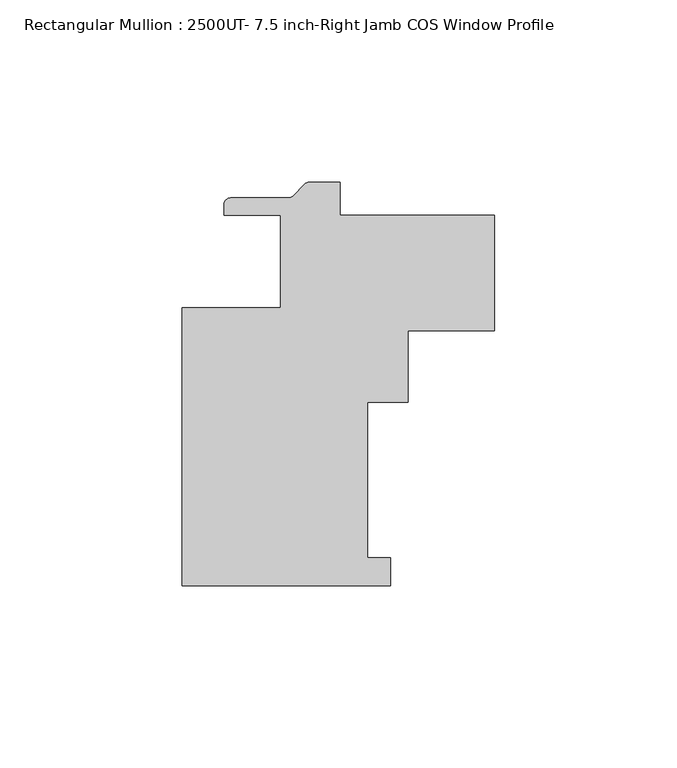
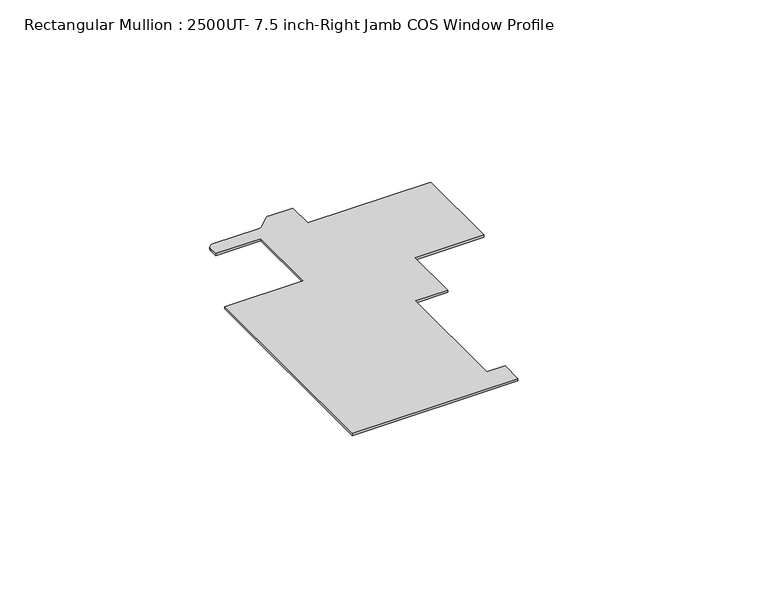
"""IFC4 building model written with IfcOpenShell, lengths in millimetres: member geometry, Rectangular Mullion : 2500UT- 7.5 inch-Right Jamb COS Window Profile."""

import ifcopenshell
import ifcopenshell.guid

model = None  # the IFC model being written
_history = None  # IfcOwnerHistory: only IFC2X3 demands one
_inside = {}  # id of a spatial element -> (the spatial element, [elements in it])
_under = {}  # id of a project, library or spatial element -> (it, [spatial elements below it])
_declared = {}  # id of a project -> (the project, [libraries it declares])
_typed = {}  # id of a type object -> (the type object, [elements of that type])
_made_of = {}  # id of a material, layer set ... -> (it, [elements and type objects made of it])


def new_model(schema):
    """Start an empty IFC model of exactly this schema.

    Asked for "IFC4X3", IfcOpenShell would pick the latest addendum, in which some entities
    have other attributes; the version numbers below select the first issue.
    IFC2X3 requires an IfcOwnerHistory on every rooted entity: one is made here for all.
    """
    global model, _history
    if schema == "IFC4X3":
        model = ifcopenshell.file(schema_version=(4, 3, 0, 0))
    else:
        model = ifcopenshell.file(schema=schema)
    _inside.clear()
    _under.clear()
    _declared.clear()
    _typed.clear()
    _made_of.clear()
    _history = None
    if model.schema == "IFC2X3":
        org = make("IfcOrganization", Name="unknown")
        user = make(
            "IfcPersonAndOrganization",
            ThePerson=make("IfcPerson", FamilyName="unknown"),
            TheOrganization=org,
        )
        app = make(
            "IfcApplication",
            ApplicationDeveloper=org,
            Version="unknown",
            ApplicationFullName="unknown",
            ApplicationIdentifier="unknown",
        )
        _history = make(
            "IfcOwnerHistory",
            OwningUser=user,
            OwningApplication=app,
            ChangeAction="ADDED",
            CreationDate=0,
        )
    return model


def make(cls, **values):
    """One entity of the class cls with the attributes given. An attribute that is None is left unset."""
    return model.create_entity(
        cls, **{name: value for name, value in values.items() if value is not None}
    )


def rooted(cls, **values):
    """An entity with a GlobalId (a new one), such as an element, a storey or a relation."""
    return make(cls, GlobalId=ifcopenshell.guid.new(), OwnerHistory=_history, **values)


def si_unit(unit_type, name, prefix=None):
    """IfcSIUnit, for example si_unit("LENGTHUNIT", "METRE", prefix="MILLI")."""
    return make("IfcSIUnit", UnitType=unit_type, Prefix=prefix, Name=name)


def assignment(units):
    """IfcUnitAssignment: the units of a project."""
    return None if units is None else make("IfcUnitAssignment", Units=units)


def point(xyz):
    """IfcCartesianPoint."""
    return None if xyz is None else make("IfcCartesianPoint", Coordinates=xyz)


def direction(xyz):
    """IfcDirection."""
    return None if xyz is None else make("IfcDirection", DirectionRatios=xyz)


def frame(location, z_axis=None, x_axis=None):
    """IfcAxis2Placement3D, a coordinate frame: its origin and axes. An axis left out is left unset."""
    return make(
        "IfcAxis2Placement3D",
        Location=point(location),
        Axis=direction(z_axis),
        RefDirection=direction(x_axis),
    )


def frame_2d(location, x_axis=None):
    """IfcAxis2Placement2D, a coordinate frame in the plane: its origin and x axis."""
    return make(
        "IfcAxis2Placement2D", Location=point(location), RefDirection=direction(x_axis)
    )


def origin():
    """The frame at (0, 0, 0) with its axes left unset."""
    return frame((0.0, 0.0, 0.0))


def place(relative_to, where):
    """IfcLocalPlacement: puts the frame where relative to a parent placement (None: the world)."""
    return make(
        "IfcLocalPlacement", PlacementRelTo=relative_to, RelativePlacement=where
    )


def context(
    kind, dimensions, precision=None, world=None, true_north=None, identifier=None
):
    """IfcGeometricRepresentationContext, for example the 3D "Model" context."""
    return make(
        "IfcGeometricRepresentationContext",
        ContextIdentifier=identifier,
        ContextType=kind,
        CoordinateSpaceDimension=dimensions,
        Precision=precision,
        WorldCoordinateSystem=world,
        TrueNorth=true_north,
    )


def project(units=None, contexts=None):
    """IfcProject with its units and contexts."""
    return rooted(
        "IfcProject",
        Name="project",
        RepresentationContexts=contexts,
        UnitsInContext=assignment(units),
    )


def spatial(cls, under=None, at=None, **own):
    """A site, building, storey or space (cls), placed at a placement, below another one or the project."""
    s = rooted(cls, ObjectPlacement=at, **own)
    if under is not None:
        _under.setdefault(under.id(), (under, []))[1].append(s)
    return s


def polyline(points):
    """IfcPolyline through the points."""
    return make("IfcPolyline", Points=[point(p) for p in points])


def circle_curve(where, radius):
    """IfcCircle in the frame where."""
    return make("IfcCircle", Position=where, Radius=radius)


def trimmed(basis, trim1, trim2, sense, master):
    """IfcTrimmedCurve: the piece of a basis curve between two trims."""
    return make(
        "IfcTrimmedCurve",
        BasisCurve=basis,
        Trim1=trim1,
        Trim2=trim2,
        SenseAgreement=sense,
        MasterRepresentation=master,
    )


def segment(curve, same_sense, transition):
    """IfcCompositeCurveSegment."""
    return make(
        "IfcCompositeCurveSegment",
        Transition=transition,
        SameSense=same_sense,
        ParentCurve=curve,
    )


def composite_curve(segments, self_intersect=None):
    """IfcCompositeCurve: segments joined end to end."""
    return make("IfcCompositeCurve", Segments=segments, SelfIntersect=self_intersect)


def outline(outer, holes=None, kind="AREA"):
    """IfcArbitraryClosedProfileDef: a profile drawn as a closed curve; with holes, ...WithVoids."""
    if holes is None:
        return make("IfcArbitraryClosedProfileDef", ProfileType=kind, OuterCurve=outer)
    return make(
        "IfcArbitraryProfileDefWithVoids",
        ProfileType=kind,
        OuterCurve=outer,
        InnerCurves=holes,
    )


def extrude(swept, where, along, depth):
    """IfcExtrudedAreaSolid: the profile swept, set in the frame where, extruded along a direction by depth."""
    return make(
        "IfcExtrudedAreaSolid",
        SweptArea=swept,
        Position=where,
        ExtrudedDirection=direction(along),
        Depth=depth,
    )


def shape(context_of_items, identifier, shape_type, items):
    """IfcShapeRepresentation: the items that make up one representation, for example the "Body"."""
    return make(
        "IfcShapeRepresentation",
        ContextOfItems=context_of_items,
        RepresentationIdentifier=identifier,
        RepresentationType=shape_type,
        Items=items,
    )


def source(mapping_origin, context_of_items, identifier, shape_type, items):
    """IfcRepresentationMap: a shape defined once, which mapped items show again and again."""
    return make(
        "IfcRepresentationMap",
        MappingOrigin=mapping_origin,
        MappedRepresentation=shape(context_of_items, identifier, shape_type, items),
    )


def transform(
    local_origin,
    x_axis=None,
    y_axis=None,
    z_axis=None,
    scale=None,
    scale2=None,
    scale3=None,
    uniform=True,
):
    """IfcCartesianTransformationOperator3D, or its non-uniform kind. x_axis, y_axis, z_axis: its Axis1, 2, 3."""
    if uniform:
        return make(
            "IfcCartesianTransformationOperator3D",
            Axis1=direction(x_axis),
            Axis2=direction(y_axis),
            LocalOrigin=point(local_origin),
            Scale=scale,
            Axis3=direction(z_axis),
        )
    return make(
        "IfcCartesianTransformationOperator3DnonUniform",
        Axis1=direction(x_axis),
        Axis2=direction(y_axis),
        LocalOrigin=point(local_origin),
        Scale=scale,
        Axis3=direction(z_axis),
        Scale2=scale2,
        Scale3=scale3,
    )


def mapped(mapping_source, mapping_target):
    """IfcMappedItem: shows the shape of a source again, moved by a transform."""
    return make(
        "IfcMappedItem", MappingSource=mapping_source, MappingTarget=mapping_target
    )


def made_of(thing, what):
    """Note that an element or type object is made of a material, layer set ...; save() writes the relation."""
    if what is not None:
        _made_of.setdefault(what.id(), (what, []))[1].append(thing)
    return thing


def element(
    cls,
    number,
    at=None,
    inside=None,
    cuts=None,
    type_object=None,
    material=None,
    context=None,
    identifier="Body",
    shape_type=None,
    held_by="IfcProductDefinitionShape",
    body=None,
    shapes=None,
    **own,
):
    """One element of the class cls, such as IfcWall. Its Tag is "e" and its number.

    at: its placement. inside: the storey or other place that contains it. cuts: it is an
    opening in that element (IfcRelVoidsElement). A single representation is given by context,
    identifier, shape_type and body (its items); several are given by shapes. held_by: the class
    of the entity that holds the representations. save() writes the other relations.
    """
    e = rooted(cls, Tag="e%d" % number, ObjectPlacement=at, **own)
    if body is not None:
        shapes = [shape(context, identifier, shape_type, body)]
    if shapes is not None:
        e.Representation = make(held_by, Representations=shapes)
    if inside is not None:
        _inside.setdefault(inside.id(), (inside, []))[1].append(e)
    if cuts is not None:
        rooted(
            "IfcRelVoidsElement", RelatingBuildingElement=cuts, RelatedOpeningElement=e
        )
    if type_object is not None:
        _typed.setdefault(type_object.id(), (type_object, []))[1].append(e)
    return made_of(e, material)


def aggregate(whole, parts):
    """IfcRelAggregates: a whole, such as a stair, and the parts it consists of."""
    return rooted("IfcRelAggregates", RelatingObject=whole, RelatedObjects=parts)


def save(model, path):
    """Write the relations noted so far, then the file.

    IfcRelAggregates (storeys below a building ...), IfcRelContainedInSpatialStructure (elements
    in a storey), IfcRelDefinesByType, IfcRelAssociatesMaterial and IfcRelDeclares: one each for
    every whole, place, type object, material and project.
    """
    for whole, parts in _under.values():
        aggregate(whole, parts)
    for where, things in _inside.values():
        rooted(
            "IfcRelContainedInSpatialStructure",
            RelatedElements=things,
            RelatingStructure=where,
        )
    for kind, things in _typed.values():
        rooted("IfcRelDefinesByType", RelatedObjects=things, RelatingType=kind)
    for what, things in _made_of.values():
        rooted("IfcRelAssociatesMaterial", RelatedObjects=things, RelatingMaterial=what)
    for by, libraries in _declared.values():
        rooted("IfcRelDeclares", RelatingContext=by, RelatedDefinitions=libraries)
    model.write(path)


def rectangular_mullion_2500ut_7_5_inch_right_jamb_cos_window_82e5fff1(model_context):
    return source(origin(), model_context, "Body", "SweptSolid", [
        extrude(outline(composite_curve([segment(polyline([(-27.0362617, 21.6296875), (-18.6724412, 21.6296875), (-18.6724412, 12.6642815), (23.7998, 12.6642815), (23.7998, -19.0857185), (0.0037083, -19.0857185), (0.0037083, -38.6127625), (-11.1087917, -38.6127625), (-11.1087917, -81.3165125), (-4.7587917, -81.3165125), (-4.7587917, -88.9365125), (-61.9087917, -88.9365125), (-61.9087917, -12.7365125), (-34.9212917, -12.7365125), (-34.9212917, 12.6634874), (-50.4224412, 12.6634874), (-50.4224412, 15.5844875)]), True, "CONTINUOUS"), segment(trimmed(circle_curve(frame_2d((-48.6444412, 15.5844875)), 1.778), [point((-50.4224412, 15.5844875))], [point((-48.6444412, 17.3624875))], False, "CARTESIAN"), True, "CONTINUOUS"), segment(polyline([(-48.6444412, 17.3624875), (-32.7764051, 17.3624875)]), True, "CONTINUOUS"), segment(trimmed(circle_curve(frame_2d((-32.7764051, 19.1404875)), 1.778), [point((-32.7764051, 17.3624875))], [point((-31.5191693, 17.8832516))], True, "CARTESIAN"), True, "CONTINUOUS"), segment(polyline([(-31.5191693, 17.8832516), (-28.2934976, 21.1089234)]), True, "CONTINUOUS"), segment(trimmed(circle_curve(frame_2d((-27.0362617, 19.8516875)), 1.778), [point((-28.2934976, 21.1089234))], [point((-27.0362617, 21.6296875))], False, "CARTESIAN"), True, "CONTINUOUS")], self_intersect=False)), frame((0.0, 0.0, -0.7941147), z_axis=(0.0, 0.0, 1.0), x_axis=(1.0, 0.0, 0.0)), (0.0, 0.0, 1.0), 0.7941147),
    ])


if __name__ == "__main__":
    model = new_model("IFC4")
    model_context = context("Model", 3, world=origin())
    ifc_project = project(units=[si_unit("LENGTHUNIT", "METRE", prefix="MILLI")], contexts=[model_context])
    site = spatial("IfcSite", under=ifc_project)
    building = spatial("IfcBuilding", under=site)
    placement = place(None, origin())
    rectangular_mullion_2500ut_7_5_inch_right_jamb_cos_window_shape = rectangular_mullion_2500ut_7_5_inch_right_jamb_cos_window_82e5fff1(model_context)
    element("IfcMember", 1, ObjectType="Rectangular Mullion : 2500UT- 7.5 inch-Right Jamb COS Window Profile", at=placement, inside=building, context=model_context, shape_type="MappedRepresentation", body=[
        mapped(rectangular_mullion_2500ut_7_5_inch_right_jamb_cos_window_shape, transform((0.0, 0.0, 0.0), x_axis=(1.0, 0.0, 0.0), y_axis=(0.0, 1.0, 0.0), z_axis=(0.0, 0.0, 1.0))),
    ])
    save(model, "model.ifc")
